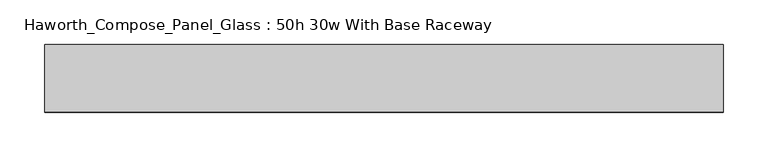
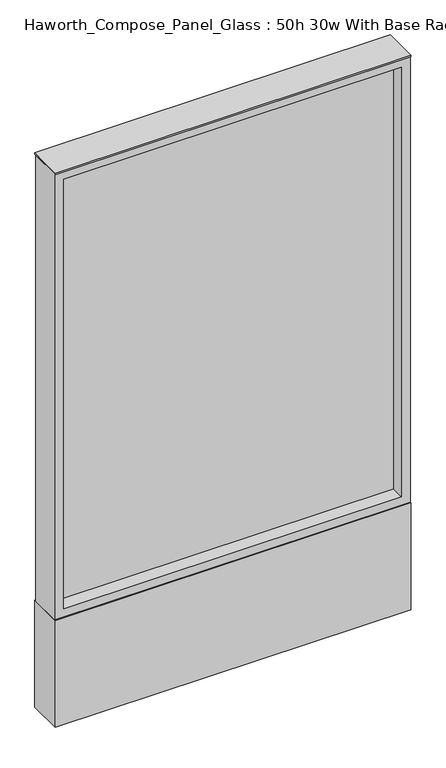
"""IFC4 building model written with IfcOpenShell, lengths in millimetres: furniture geometry, Haworth_Compose_Panel_Glass : 50h 30w With Base Raceway."""

from ifc_helpers import new_model, si_unit, point, frame, frame_2d, origin, origin_with_axes, place, context, project, spatial, polyline, circle_curve, trimmed, segment, composite_curve, outline, extrude, source, transform, mapped, element, save


def haworth_compose_panel_glass_50h_30w_with_base_raceway_1b955b2a(model_context):
    return source(origin(), model_context, "Body", "SweptSolid", [
        extrude(outline(composite_curve([segment(trimmed(circle_curve(frame_2d((307.2402902, 0.0)), 12.7), [point((294.5402902, 0.0))], [point((319.9402902, 0.0))], False, "CARTESIAN"), True, "CONTINUOUS"), segment(trimmed(circle_curve(frame_2d((307.2402902, 0.0)), 12.7), [point((319.9402902, 0.0))], [point((294.5402902, 0.0))], False, "CARTESIAN"), True, "CONTINUOUS")], self_intersect=False)), origin_with_axes(), (0.0, 0.0, 1.0), 12.7),
        extrude(outline(composite_curve([segment(trimmed(circle_curve(frame_2d((-302.3597098, 0.0)), 12.7), [point((-315.0597098, 0.0))], [point((-289.6597098, 0.0))], False, "CARTESIAN"), True, "CONTINUOUS"), segment(trimmed(circle_curve(frame_2d((-302.3597098, 0.0)), 12.7), [point((-289.6597098, 0.0))], [point((-315.0597098, 0.0))], False, "CARTESIAN"), True, "CONTINUOUS")], self_intersect=False)), origin_with_axes(), (0.0, 0.0, 1.0), 12.7),
        extrude(outline(polyline([(364.3902902, -6.35), (-359.5097098, -6.35), (-359.5097098, 6.35), (364.3902902, 6.35), (364.3902902, -6.35)])), frame((0.0, 0.0, 273.05), z_axis=(0.0, 0.0, 1.0), x_axis=(1.0, 0.0, 0.0)), (0.0, 0.0, 1.0), 971.55),
        extrude(outline(polyline([(1263.65, -378.5597098), (254.0, -378.5597098), (254.0, 383.4402902), (1263.65, 383.4402902), (1263.65, -378.5597098)]), holes=[polyline([(1244.6, 364.3902902), (273.05, 364.3902902), (273.05, -359.5097098), (1244.6, -359.5097098), (1244.6, 364.3902902)])]), frame((0.0, -34.925, 0.0), z_axis=(0.0, 1.0, 0.0), x_axis=(0.0, 0.0, 1.0)), (0.0, 0.0, 1.0), 69.85),
        extrude(outline(polyline([(-378.5597098, 38.1), (383.4402902, 38.1), (383.4402902, -38.1), (-378.5597098, -38.1), (-378.5597098, 38.1)])), frame((0.0, 0.0, 12.7), z_axis=(0.0, 0.0, 1.0), x_axis=(1.0, 0.0, 0.0)), (0.0, 0.0, 1.0), 241.3),
        extrude(outline(polyline([(-378.5597098, -38.1), (-378.5597098, 38.1), (383.4402902, 38.1), (383.4402902, -38.1), (-378.5597098, -38.1)])), frame((0.0, 0.0, 1263.65), z_axis=(0.0, 0.0, 1.0), x_axis=(1.0, 0.0, 0.0)), (0.0, 0.0, 1.0), 3.175),
    ])


if __name__ == "__main__":
    model = new_model("IFC4")
    model_context = context("Model", 3, world=origin())
    ifc_project = project(units=[si_unit("LENGTHUNIT", "METRE", prefix="MILLI")], contexts=[model_context])
    site = spatial("IfcSite", under=ifc_project)
    building = spatial("IfcBuilding", under=site)
    placement = place(None, origin())
    haworth_compose_panel_glass_50h_30w_with_base_raceway_shape = haworth_compose_panel_glass_50h_30w_with_base_raceway_1b955b2a(model_context)
    element("IfcFurniture", 1, ObjectType="Haworth_Compose_Panel_Glass : 50h 30w With Base Raceway", at=placement, inside=building, context=model_context, shape_type="MappedRepresentation", body=[
        mapped(haworth_compose_panel_glass_50h_30w_with_base_raceway_shape, transform((0.0, 0.0, 0.0), x_axis=(1.0, 0.0, 0.0), y_axis=(0.0, 1.0, 0.0), z_axis=(0.0, 0.0, 1.0))),
    ])
    save(model, "model.ifc")
